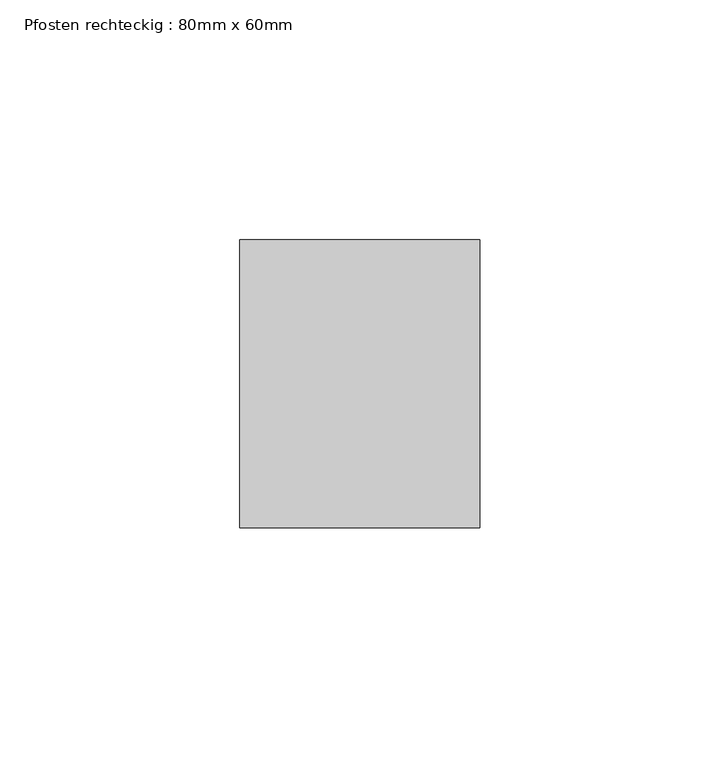
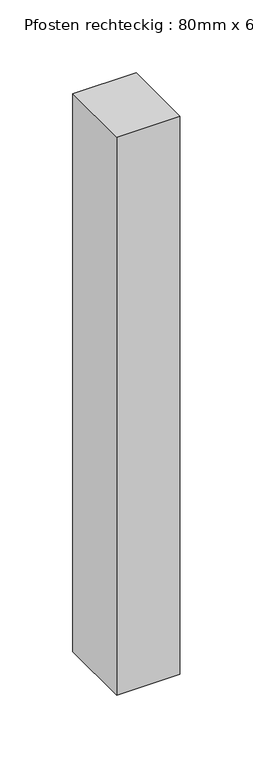
"""IFC4 building model written with IfcOpenShell, lengths in millimetres: member geometry, Pfosten rechteckig : 80mm x 60mm."""

import ifcopenshell
import ifcopenshell.guid

model = None  # the IFC model being written
_history = None  # IfcOwnerHistory: only IFC2X3 demands one
_inside = {}  # id of a spatial element -> (the spatial element, [elements in it])
_under = {}  # id of a project, library or spatial element -> (it, [spatial elements below it])
_declared = {}  # id of a project -> (the project, [libraries it declares])
_typed = {}  # id of a type object -> (the type object, [elements of that type])
_made_of = {}  # id of a material, layer set ... -> (it, [elements and type objects made of it])


def new_model(schema):
    """Start an empty IFC model of exactly this schema.

    Asked for "IFC4X3", IfcOpenShell would pick the latest addendum, in which some entities
    have other attributes; the version numbers below select the first issue.
    IFC2X3 requires an IfcOwnerHistory on every rooted entity: one is made here for all.
    """
    global model, _history
    if schema == "IFC4X3":
        model = ifcopenshell.file(schema_version=(4, 3, 0, 0))
    else:
        model = ifcopenshell.file(schema=schema)
    _inside.clear()
    _under.clear()
    _declared.clear()
    _typed.clear()
    _made_of.clear()
    _history = None
    if model.schema == "IFC2X3":
        org = make("IfcOrganization", Name="unknown")
        user = make(
            "IfcPersonAndOrganization",
            ThePerson=make("IfcPerson", FamilyName="unknown"),
            TheOrganization=org,
        )
        app = make(
            "IfcApplication",
            ApplicationDeveloper=org,
            Version="unknown",
            ApplicationFullName="unknown",
            ApplicationIdentifier="unknown",
        )
        _history = make(
            "IfcOwnerHistory",
            OwningUser=user,
            OwningApplication=app,
            ChangeAction="ADDED",
            CreationDate=0,
        )
    return model


def make(cls, **values):
    """One entity of the class cls with the attributes given. An attribute that is None is left unset."""
    return model.create_entity(
        cls, **{name: value for name, value in values.items() if value is not None}
    )


def rooted(cls, **values):
    """An entity with a GlobalId (a new one), such as an element, a storey or a relation."""
    return make(cls, GlobalId=ifcopenshell.guid.new(), OwnerHistory=_history, **values)


def si_unit(unit_type, name, prefix=None):
    """IfcSIUnit, for example si_unit("LENGTHUNIT", "METRE", prefix="MILLI")."""
    return make("IfcSIUnit", UnitType=unit_type, Prefix=prefix, Name=name)


def assignment(units):
    """IfcUnitAssignment: the units of a project."""
    return None if units is None else make("IfcUnitAssignment", Units=units)


def point(xyz):
    """IfcCartesianPoint."""
    return None if xyz is None else make("IfcCartesianPoint", Coordinates=xyz)


def direction(xyz):
    """IfcDirection."""
    return None if xyz is None else make("IfcDirection", DirectionRatios=xyz)


def frame(location, z_axis=None, x_axis=None):
    """IfcAxis2Placement3D, a coordinate frame: its origin and axes. An axis left out is left unset."""
    return make(
        "IfcAxis2Placement3D",
        Location=point(location),
        Axis=direction(z_axis),
        RefDirection=direction(x_axis),
    )


def origin():
    """The frame at (0, 0, 0) with its axes left unset."""
    return frame((0.0, 0.0, 0.0))


def place(relative_to, where):
    """IfcLocalPlacement: puts the frame where relative to a parent placement (None: the world)."""
    return make(
        "IfcLocalPlacement", PlacementRelTo=relative_to, RelativePlacement=where
    )


def context(
    kind, dimensions, precision=None, world=None, true_north=None, identifier=None
):
    """IfcGeometricRepresentationContext, for example the 3D "Model" context."""
    return make(
        "IfcGeometricRepresentationContext",
        ContextIdentifier=identifier,
        ContextType=kind,
        CoordinateSpaceDimension=dimensions,
        Precision=precision,
        WorldCoordinateSystem=world,
        TrueNorth=true_north,
    )


def project(units=None, contexts=None):
    """IfcProject with its units and contexts."""
    return rooted(
        "IfcProject",
        Name="project",
        RepresentationContexts=contexts,
        UnitsInContext=assignment(units),
    )


def spatial(cls, under=None, at=None, **own):
    """A site, building, storey or space (cls), placed at a placement, below another one or the project."""
    s = rooted(cls, ObjectPlacement=at, **own)
    if under is not None:
        _under.setdefault(under.id(), (under, []))[1].append(s)
    return s


def polyline(points):
    """IfcPolyline through the points."""
    return make("IfcPolyline", Points=[point(p) for p in points])


def outline(outer, holes=None, kind="AREA"):
    """IfcArbitraryClosedProfileDef: a profile drawn as a closed curve; with holes, ...WithVoids."""
    if holes is None:
        return make("IfcArbitraryClosedProfileDef", ProfileType=kind, OuterCurve=outer)
    return make(
        "IfcArbitraryProfileDefWithVoids",
        ProfileType=kind,
        OuterCurve=outer,
        InnerCurves=holes,
    )


def extrude(swept, where, along, depth):
    """IfcExtrudedAreaSolid: the profile swept, set in the frame where, extruded along a direction by depth."""
    return make(
        "IfcExtrudedAreaSolid",
        SweptArea=swept,
        Position=where,
        ExtrudedDirection=direction(along),
        Depth=depth,
    )


def shape(context_of_items, identifier, shape_type, items):
    """IfcShapeRepresentation: the items that make up one representation, for example the "Body"."""
    return make(
        "IfcShapeRepresentation",
        ContextOfItems=context_of_items,
        RepresentationIdentifier=identifier,
        RepresentationType=shape_type,
        Items=items,
    )


def source(mapping_origin, context_of_items, identifier, shape_type, items):
    """IfcRepresentationMap: a shape defined once, which mapped items show again and again."""
    return make(
        "IfcRepresentationMap",
        MappingOrigin=mapping_origin,
        MappedRepresentation=shape(context_of_items, identifier, shape_type, items),
    )


def transform(
    local_origin,
    x_axis=None,
    y_axis=None,
    z_axis=None,
    scale=None,
    scale2=None,
    scale3=None,
    uniform=True,
):
    """IfcCartesianTransformationOperator3D, or its non-uniform kind. x_axis, y_axis, z_axis: its Axis1, 2, 3."""
    if uniform:
        return make(
            "IfcCartesianTransformationOperator3D",
            Axis1=direction(x_axis),
            Axis2=direction(y_axis),
            LocalOrigin=point(local_origin),
            Scale=scale,
            Axis3=direction(z_axis),
        )
    return make(
        "IfcCartesianTransformationOperator3DnonUniform",
        Axis1=direction(x_axis),
        Axis2=direction(y_axis),
        LocalOrigin=point(local_origin),
        Scale=scale,
        Axis3=direction(z_axis),
        Scale2=scale2,
        Scale3=scale3,
    )


def mapped(mapping_source, mapping_target):
    """IfcMappedItem: shows the shape of a source again, moved by a transform."""
    return make(
        "IfcMappedItem", MappingSource=mapping_source, MappingTarget=mapping_target
    )


def made_of(thing, what):
    """Note that an element or type object is made of a material, layer set ...; save() writes the relation."""
    if what is not None:
        _made_of.setdefault(what.id(), (what, []))[1].append(thing)
    return thing


def element(
    cls,
    number,
    at=None,
    inside=None,
    cuts=None,
    type_object=None,
    material=None,
    context=None,
    identifier="Body",
    shape_type=None,
    held_by="IfcProductDefinitionShape",
    body=None,
    shapes=None,
    **own,
):
    """One element of the class cls, such as IfcWall. Its Tag is "e" and its number.

    at: its placement. inside: the storey or other place that contains it. cuts: it is an
    opening in that element (IfcRelVoidsElement). A single representation is given by context,
    identifier, shape_type and body (its items); several are given by shapes. held_by: the class
    of the entity that holds the representations. save() writes the other relations.
    """
    e = rooted(cls, Tag="e%d" % number, ObjectPlacement=at, **own)
    if body is not None:
        shapes = [shape(context, identifier, shape_type, body)]
    if shapes is not None:
        e.Representation = make(held_by, Representations=shapes)
    if inside is not None:
        _inside.setdefault(inside.id(), (inside, []))[1].append(e)
    if cuts is not None:
        rooted(
            "IfcRelVoidsElement", RelatingBuildingElement=cuts, RelatedOpeningElement=e
        )
    if type_object is not None:
        _typed.setdefault(type_object.id(), (type_object, []))[1].append(e)
    return made_of(e, material)


def aggregate(whole, parts):
    """IfcRelAggregates: a whole, such as a stair, and the parts it consists of."""
    return rooted("IfcRelAggregates", RelatingObject=whole, RelatedObjects=parts)


def save(model, path):
    """Write the relations noted so far, then the file.

    IfcRelAggregates (storeys below a building ...), IfcRelContainedInSpatialStructure (elements
    in a storey), IfcRelDefinesByType, IfcRelAssociatesMaterial and IfcRelDeclares: one each for
    every whole, place, type object, material and project.
    """
    for whole, parts in _under.values():
        aggregate(whole, parts)
    for where, things in _inside.values():
        rooted(
            "IfcRelContainedInSpatialStructure",
            RelatedElements=things,
            RelatingStructure=where,
        )
    for kind, things in _typed.values():
        rooted("IfcRelDefinesByType", RelatedObjects=things, RelatingType=kind)
    for what, things in _made_of.values():
        rooted("IfcRelAssociatesMaterial", RelatedObjects=things, RelatingMaterial=what)
    for by, libraries in _declared.values():
        rooted("IfcRelDeclares", RelatingContext=by, RelatedDefinitions=libraries)
    model.write(path)


def pfosten_rechteckig_80mm_x_60mm_94414f23(model_context):
    return source(origin(), model_context, "Body", "SweptSolid", [
        extrude(outline(polyline([(25.0, 30.0), (25.0, -30.0), (-25.0, -30.0), (-25.0, 30.0), (25.0, 30.0)])), frame((0.0, 0.0, -466.6666667), z_axis=(0.0, 0.0, 1.0), x_axis=(1.0, 0.0, 0.0)), (0.0, 0.0, 1.0), 466.6666667),
    ])


if __name__ == "__main__":
    model = new_model("IFC4")
    model_context = context("Model", 3, world=origin())
    ifc_project = project(units=[si_unit("LENGTHUNIT", "METRE", prefix="MILLI")], contexts=[model_context])
    site = spatial("IfcSite", under=ifc_project)
    building = spatial("IfcBuilding", under=site)
    placement = place(None, origin())
    pfosten_rechteckig_80mm_x_60mm_shape = pfosten_rechteckig_80mm_x_60mm_94414f23(model_context)
    element("IfcMember", 1, ObjectType="Pfosten rechteckig : 80mm x 60mm", at=placement, inside=building, context=model_context, shape_type="MappedRepresentation", body=[
        mapped(pfosten_rechteckig_80mm_x_60mm_shape, transform((0.0, 0.0, 0.0), x_axis=(1.0, 0.0, 0.0), y_axis=(0.0, 1.0, 0.0), z_axis=(0.0, 0.0, 1.0))),
    ])
    save(model, "model.ifc")
